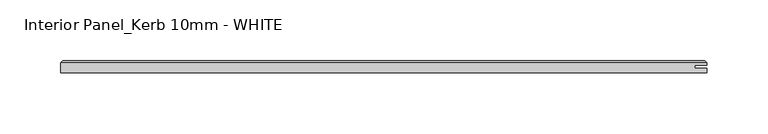
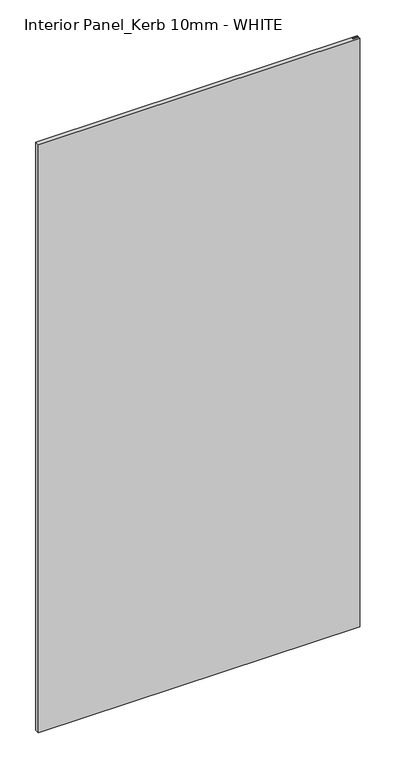
"""IFC4 building model written with IfcOpenShell, lengths in millimetres: proxy geometry, Interior Panel_Kerb 10mm - WHITE."""

from ifc_helpers import new_model, si_unit, origin, place, context, project, spatial, faceted_brep, source, transform, mapped, element, save


def interior_panel_kerb_10mm_white_189c843d(model_context):
    return source(origin(), model_context, "Body", "Brep", [
        faceted_brep([(457.2, -3.175, 1025.525), (457.2, 0.5207, 1025.525), (447.3773437, 0.5207, 1025.525), (447.3773437, 2.6543, 1025.525), (457.2, 2.6543, 1025.525), (457.2, 4.7625, 1025.525), (-73.025, 4.7625, 1025.525), (-73.025, -3.175, 1025.525), (457.2, -3.175, 0.0), (-73.025, -3.175, 0.0), (-73.025, 4.7625, 0.0), (457.2, 4.7625, 0.0), (457.2, 2.6543, 0.0), (447.3773437, 2.6543, 0.0), (447.3773437, 0.5207, 0.0), (457.2, 0.5207, 0.0), (-71.4375, 6.35, 1023.9375), (455.6125, 6.35, 1023.9375), (455.6125, 6.35, 1.5875), (-71.4375, 6.35, 1.5875)], [[[0, 1, 2, 3, 4, 5, 6, 7]], [[8, 9, 10, 11, 12, 13, 14, 15]], [[7, 9, 8, 0]], [[6, 10, 9, 7]], [[16, 17, 18, 19]], [[4, 12, 11, 5]], [[6, 16, 19, 10]], [[11, 18, 17, 5]], [[5, 17, 16, 6]], [[10, 19, 18, 11]], [[3, 13, 12, 4]], [[2, 14, 13, 3]], [[1, 15, 14, 2]], [[0, 8, 15, 1]]]),
    ])


if __name__ == "__main__":
    model = new_model("IFC4")
    model_context = context("Model", 3, world=origin())
    ifc_project = project(units=[si_unit("LENGTHUNIT", "METRE", prefix="MILLI")], contexts=[model_context])
    site = spatial("IfcSite", under=ifc_project)
    building = spatial("IfcBuilding", under=site)
    placement = place(None, origin())
    interior_panel_kerb_10mm_white_shape = interior_panel_kerb_10mm_white_189c843d(model_context)
    element("IfcBuildingElementProxy", 1, Name="Interior Panel_Kerb 10mm - WHITE", ObjectType="Interior Panel_Kerb 10mm - WHITE", at=placement, inside=building, context=model_context, shape_type="MappedRepresentation", body=[
        mapped(interior_panel_kerb_10mm_white_shape, transform((0.0, 0.0, 0.0), x_axis=(1.0, 0.0, 0.0), y_axis=(0.0, 1.0, 0.0), z_axis=(0.0, 0.0, 1.0))),
    ])
    save(model, "model.ifc")
